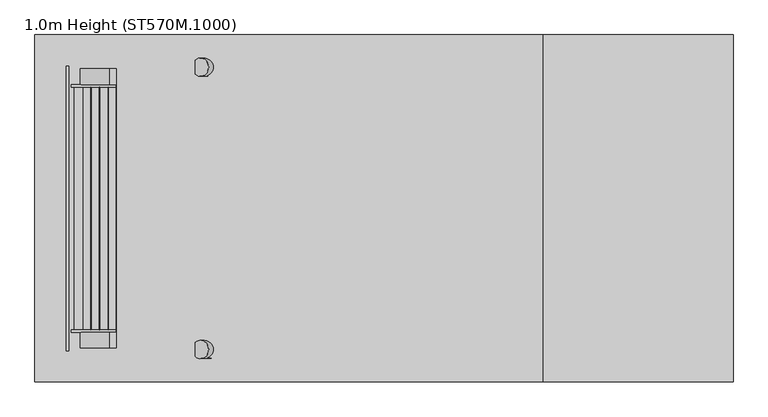
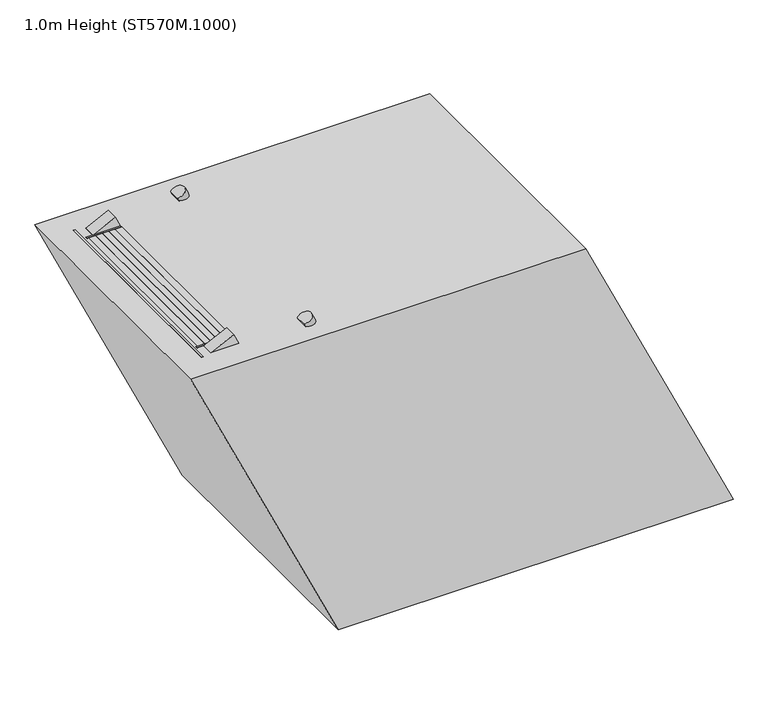
"""IFC4 building model written with IfcOpenShell, lengths in millimetres: proxy geometry, 1.0m Height (ST570M.1000)."""

from ifc_helpers import new_model, si_unit, point, frame, frame_2d, origin, origin_with_axes, place, context, project, spatial, polyline, circle_curve, trimmed, segment, composite_curve, outline, extrude, source, transform, mapped, element, save


def proxy_1_0m_height_st570m_1000_c2ee2a06(model_context):
    return source(origin(), model_context, "Body", "SweptSolid", [
        extrude(outline(polyline([(750.0, -171.2615955), (670.0, -133.9569879), (670.0, -23.6191908), (750.0, -60.9238035), (750.0, -171.2615955)])), frame((0.0, 298.5, 0.0), z_axis=(0.0, 1.0, 0.0), x_axis=(0.0, 0.0, 1.0)), (0.0, 0.0, 1.0), 6.0),
        extrude(outline(polyline([(750.0, -171.2615955), (670.0, -133.9569879), (670.0, -23.6191908), (750.0, -60.9238035), (750.0, -171.2615955)])), frame((0.0, -304.5, 0.0), z_axis=(0.0, 1.0, 0.0), x_axis=(0.0, 0.0, 1.0)), (0.0, 0.0, 1.0), 6.0),
        extrude(outline(polyline([(750.0, -164.0896392), (712.0999991, -146.416581), (712.0999991, -144.2098252), (747.0, -160.4839606), (747.0, -61.7316363), (712.0999991, -45.4574987), (712.0999991, -43.2507428), (750.0, -60.9238035), (750.0, -81.3515446), (749.2749538, -81.6896392), (750.0, -82.0277338), (750.0, -101.9515446), (749.2749538, -102.2896392), (750.0, -102.6277338), (750.0, -122.5515446), (749.2749538, -122.8896392), (750.0, -123.2277338), (750.0, -143.1515446), (749.2749538, -143.4896392), (750.0, -143.8277338), (750.0, -164.0896392)])), frame((0.0, -298.5, 0.0), z_axis=(0.0, 1.0, 0.0), x_axis=(0.0, 0.0, 1.0)), (0.0, 0.0, 1.0), 597.0),
        extrude(outline(polyline([(500.0, -54.685399), (420.0, -17.3807914), (420.0, 92.9570057), (500.0, 55.652393), (500.0, -54.685399)])), frame((0.0, 298.5, 0.0), z_axis=(0.0, 1.0, 0.0), x_axis=(0.0, 0.0, 1.0)), (0.0, 0.0, 1.0), 6.0),
        extrude(outline(polyline([(500.0, -54.685399), (420.0, -17.3807914), (420.0, 92.9570057), (500.0, 55.652393), (500.0, -54.685399)])), frame((0.0, -304.5, 0.0), z_axis=(0.0, 1.0, 0.0), x_axis=(0.0, 0.0, 1.0)), (0.0, 0.0, 1.0), 6.0),
        extrude(outline(polyline([(500.0, -47.5134427), (462.0999991, -29.8403844), (462.0999991, -27.6336286), (497.0, -43.9077641), (497.0, 54.8445602), (462.0999991, 71.1186978), (462.0999991, 73.3254537), (500.0, 55.652393), (500.0, 35.2246519), (499.2749538, 34.8865573), (500.0, 34.5484627), (500.0, 14.6246519), (499.2749538, 14.2865573), (500.0, 13.9484627), (500.0, -5.9753481), (499.2749538, -6.3134427), (500.0, -6.6515373), (500.0, -26.5753481), (499.2749538, -26.9134427), (500.0, -27.2515373), (500.0, -47.5134427)])), frame((0.0, -298.5, 0.0), z_axis=(0.0, 1.0, 0.0), x_axis=(0.0, 0.0, 1.0)), (0.0, 0.0, 1.0), 597.0),
        extrude(outline(polyline([(0.0, -32.0), (0.0, 0.0), (3.0, 0.0), (3.0, -32.0), (0.0, -32.0)])), frame((197.6283445, 331.0, 620.2632339), z_axis=(-0.4226182617407372, 0.0, 0.9063077870366324), x_axis=(-0.9063077870366324, 0.0, -0.4226182617407372)), (0.0, 0.0, 1.0), 140.0),
        extrude(outline(polyline([(0.0, -32.0), (0.0, 0.0), (3.0, 0.0), (3.0, -32.0), (0.0, -32.0)])), frame((100.4261443, 331.0, 828.7140249), z_axis=(-0.4226182617407372, 0.0, 0.9063077870366324), x_axis=(-0.9063077870366324, 0.0, -0.4226182617407372)), (0.0, 0.0, 1.0), 140.0),
        extrude(outline(composite_curve([segment(polyline([(646.1846127, 182.2308733), (718.6892357, 148.4214124), (614.3025251, -75.436611)]), True, "CONTINUOUS"), segment(trimmed(circle_curve(frame_2d((608.8646783, -72.9009015)), 6.0), [point((614.3025251, -75.436611))], [point((606.3289688, -78.3387482))], False, "CARTESIAN"), True, "CONTINUOUS"), segment(polyline([(606.3289688, -78.3387482), (544.7000392, -49.6007064)]), True, "CONTINUOUS"), segment(trimmed(circle_curve(frame_2d((547.2357488, -44.1628597)), 6.0), [point((544.7000392, -49.6007064))], [point((541.7979021, -41.6271501))], False, "CARTESIAN"), True, "CONTINUOUS"), segment(polyline([(541.7979021, -41.6271501), (646.1846127, 182.2308733)]), True, "CONTINUOUS")], self_intersect=False)), frame((0.0, 344.0, 0.0), z_axis=(0.0, 1.0, 0.0), x_axis=(0.0, 0.0, 1.0)), (0.0, 0.0, 1.0), 6.0),
        extrude(outline(composite_curve([segment(polyline([(854.6354038, 85.0286731), (927.1400267, 51.2192122), (822.7533161, -172.6388112)]), True, "CONTINUOUS"), segment(trimmed(circle_curve(frame_2d((817.3154694, -170.1031017)), 6.0), [point((822.7533161, -172.6388112))], [point((814.7797598, -175.5409484))], False, "CARTESIAN"), True, "CONTINUOUS"), segment(polyline([(814.7797598, -175.5409484), (753.1508303, -146.8029066)]), True, "CONTINUOUS"), segment(trimmed(circle_curve(frame_2d((755.6865398, -141.3650599)), 6.0), [point((753.1508303, -146.8029066))], [point((750.2486931, -138.8293503))], False, "CARTESIAN"), True, "CONTINUOUS"), segment(polyline([(750.2486931, -138.8293503), (854.6354038, 85.0286731)]), True, "CONTINUOUS")], self_intersect=False)), frame((0.0, 344.0, 0.0), z_axis=(0.0, 1.0, 0.0), x_axis=(0.0, 0.0, 1.0)), (0.0, 0.0, 1.0), 6.0),
        extrude(outline(composite_curve([segment(trimmed(circle_curve(frame_2d((0.0, 14.189404)), 22.4521533), [point((-17.4, 0.0))], [point((17.4, 0.0))], False, "CARTESIAN"), True, "CONTINUOUS"), segment(polyline([(17.4, 0.0), (-17.4, 0.0)]), True, "CONTINUOUS")], self_intersect=False)), frame((269.473449, 347.0, 466.1909101), z_axis=(-0.4226182617407372, 0.0, 0.9063077870366324), x_axis=(0.0, -1.0, 0.0)), (0.0, 0.0, 1.0), 600.0),
        extrude(outline(polyline([(0.0, -32.0), (0.0, 0.0), (3.0, 0.0), (3.0, -32.0), (0.0, -32.0)])), frame((197.6283445, -363.0, 620.2632339), z_axis=(-0.4226182617407372, 0.0, 0.9063077870366324), x_axis=(-0.9063077870366324, 0.0, -0.4226182617407372)), (0.0, 0.0, 1.0), 140.0),
        extrude(outline(polyline([(0.0, -32.0), (0.0, 0.0), (3.0, 0.0), (3.0, -32.0), (0.0, -32.0)])), frame((100.4261443, -363.0, 828.7140249), z_axis=(-0.4226182617407372, 0.0, 0.9063077870366324), x_axis=(-0.9063077870366324, 0.0, -0.4226182617407372)), (0.0, 0.0, 1.0), 140.0),
        extrude(outline(composite_curve([segment(polyline([(646.1846127, 182.2308733), (718.6892357, 148.4214124), (614.3025251, -75.436611)]), True, "CONTINUOUS"), segment(trimmed(circle_curve(frame_2d((608.8646783, -72.9009015)), 6.0), [point((614.3025251, -75.436611))], [point((606.3289688, -78.3387482))], False, "CARTESIAN"), True, "CONTINUOUS"), segment(polyline([(606.3289688, -78.3387482), (544.7000392, -49.6007064)]), True, "CONTINUOUS"), segment(trimmed(circle_curve(frame_2d((547.2357488, -44.1628597)), 6.0), [point((544.7000392, -49.6007064))], [point((541.7979021, -41.6271501))], False, "CARTESIAN"), True, "CONTINUOUS"), segment(polyline([(541.7979021, -41.6271501), (646.1846127, 182.2308733)]), True, "CONTINUOUS")], self_intersect=False)), frame((0.0, -350.0, 0.0), z_axis=(0.0, 1.0, 0.0), x_axis=(0.0, 0.0, 1.0)), (0.0, 0.0, 1.0), 6.0),
        extrude(outline(composite_curve([segment(polyline([(854.6354038, 85.0286731), (927.1400267, 51.2192122), (822.7533161, -172.6388112)]), True, "CONTINUOUS"), segment(trimmed(circle_curve(frame_2d((817.3154694, -170.1031017)), 6.0), [point((822.7533161, -172.6388112))], [point((814.7797598, -175.5409484))], False, "CARTESIAN"), True, "CONTINUOUS"), segment(polyline([(814.7797598, -175.5409484), (753.1508303, -146.8029066)]), True, "CONTINUOUS"), segment(trimmed(circle_curve(frame_2d((755.6865398, -141.3650599)), 6.0), [point((753.1508303, -146.8029066))], [point((750.2486931, -138.8293503))], False, "CARTESIAN"), True, "CONTINUOUS"), segment(polyline([(750.2486931, -138.8293503), (854.6354038, 85.0286731)]), True, "CONTINUOUS")], self_intersect=False)), frame((0.0, -350.0, 0.0), z_axis=(0.0, 1.0, 0.0), x_axis=(0.0, 0.0, 1.0)), (0.0, 0.0, 1.0), 6.0),
        extrude(outline(composite_curve([segment(trimmed(circle_curve(frame_2d((0.0, 14.189404)), 22.4521533), [point((-17.4, 0.0))], [point((17.4, 0.0))], False, "CARTESIAN"), True, "CONTINUOUS"), segment(polyline([(17.4, 0.0), (-17.4, 0.0)]), True, "CONTINUOUS")], self_intersect=False)), frame((269.473449, -347.0, 466.1909101), z_axis=(-0.4226182617407372, 0.0, 0.9063077870366324), x_axis=(0.0, -1.0, 0.0)), (0.0, 0.0, 1.0), 600.0),
        extrude(outline(polyline([(1000.0, -287.837792), (920.0, -250.5331844), (920.0, -140.1953873), (1000.0, -177.5), (1000.0, -287.837792)])), frame((0.0, 298.5, 0.0), z_axis=(0.0, 1.0, 0.0), x_axis=(0.0, 0.0, 1.0)), (0.0, 0.0, 1.0), 6.0),
        extrude(outline(polyline([(1000.0, -287.837792), (920.0, -250.5331844), (920.0, -140.1953873), (1000.0, -177.5), (1000.0, -287.837792)])), frame((0.0, -304.5, 0.0), z_axis=(0.0, 1.0, 0.0), x_axis=(0.0, 0.0, 1.0)), (0.0, 0.0, 1.0), 6.0),
        extrude(outline(polyline([(1000.0, -280.6658357), (962.0999991, -262.9927775), (962.0999991, -260.7860217), (997.0, -277.0601572), (997.0, -178.3078329), (962.0999991, -162.0336952), (962.0999991, -159.8269394), (1000.0, -177.5), (1000.0, -197.9277412), (999.2749538, -198.2658357), (1000.0, -198.6039303), (1000.0, -218.5277412), (999.2749538, -218.8658357), (1000.0, -219.2039303), (1000.0, -239.1277412), (999.2749538, -239.4658357), (1000.0, -239.8039303), (1000.0, -259.7277412), (999.2749538, -260.0658357), (1000.0, -260.4039303), (1000.0, -280.6658357)])), frame((0.0, -298.5, 0.0), z_axis=(0.0, 1.0, 0.0), x_axis=(0.0, 0.0, 1.0)), (0.0, 0.0, 1.0), 597.0),
        extrude(outline(polyline([(250.0, 61.8907975), (170.0, 99.1954051), (170.0, 209.5332022), (250.0, 172.2285896), (250.0, 61.8907975)])), frame((0.0, 298.5, 0.0), z_axis=(0.0, 1.0, 0.0), x_axis=(0.0, 0.0, 1.0)), (0.0, 0.0, 1.0), 6.0),
        extrude(outline(polyline([(250.0, 61.8907975), (170.0, 99.1954051), (170.0, 209.5332022), (250.0, 172.2285896), (250.0, 61.8907975)])), frame((0.0, -304.5, 0.0), z_axis=(0.0, 1.0, 0.0), x_axis=(0.0, 0.0, 1.0)), (0.0, 0.0, 1.0), 6.0),
        extrude(outline(polyline([(250.0, 69.0627538), (212.0999991, 86.7358121), (212.0999991, 88.9425679), (247.0, 72.6684324), (247.0, 171.4207567), (212.0999991, 187.6948944), (212.0999991, 189.9016502), (250.0, 172.2285896), (250.0, 151.8008484), (249.2749538, 151.4627538), (250.0, 151.1246593), (250.0, 131.2008484), (249.2749538, 130.8627538), (250.0, 130.5246593), (250.0, 110.6008484), (249.2749538, 110.2627538), (250.0, 109.9246593), (250.0, 90.0008484), (249.2749538, 89.6627538), (250.0, 89.3246593), (250.0, 69.0627538)])), frame((0.0, -298.5, 0.0), z_axis=(0.0, 1.0, 0.0), x_axis=(0.0, 0.0, 1.0)), (0.0, 0.0, 1.0), 597.0),
        extrude(outline(polyline([(986.0, -170.9738468), (986.0, -294.0), (906.0, -294.0), (906.0, -133.6692342), (986.0, -170.9738468)])), frame((0.0, 344.0, 0.0), z_axis=(0.0, 1.0, 0.0), x_axis=(0.0, 0.0, 1.0)), (0.0, 0.0, 1.0), 6.0),
        extrude(outline(polyline([(986.0, -170.9738468), (986.0, -294.0), (906.0, -294.0), (906.0, -133.6692342), (986.0, -170.9738468)])), frame((0.0, -350.0, 0.0), z_axis=(0.0, 1.0, 0.0), x_axis=(0.0, 0.0, 1.0)), (0.0, 0.0, 1.0), 6.0),
        extrude(outline(polyline([(1000.0, -294.0), (1000.0, -300.0), (900.0, -300.0), (900.0, -250.0), (906.0, -250.0), (906.0, -294.0), (1000.0, -294.0)])), frame((0.0, -350.0, 0.0), z_axis=(0.0, 1.0, 0.0), x_axis=(0.0, 0.0, 1.0)), (0.0, 0.0, 1.0), 700.0),
        extrude(outline(polyline([(-304.5, 80.0), (-304.5, 0.0), (-343.0, 0.0), (-343.0, 80.0), (-304.5, 80.0)])), frame((197.7374246, 0.0, 6.0), z_axis=(-0.4226182617406976, 0.0, 0.9063077870366508), x_axis=(0.0, -1.0, 0.0)), (0.0, 0.0, 1.0), 1096.7576514),
        extrude(outline(polyline([(343.0, 80.0), (343.0, 0.0), (304.5, 0.0), (304.5, 80.0), (343.0, 80.0)])), frame((197.7374246, 0.0, 6.0), z_axis=(-0.42261826174069766, 0.0, 0.9063077870366508), x_axis=(0.0, -1.0, 0.0)), (0.0, 0.0, 1.0), 1096.7576514),
        extrude(outline(polyline([(141.9461681, 222.6149189), (108.1367071, 150.1102959), (6.0, 197.7374246), (6.0, 286.0076582), (141.9461681, 222.6149189)])), frame((0.0, 344.0, 0.0), z_axis=(0.0, 1.0, 0.0), x_axis=(0.0, 0.0, 1.0)), (0.0, 0.0, 1.0), 6.0),
        extrude(outline(polyline([(141.9461681, 222.6149189), (108.1367071, 150.1102959), (6.0, 197.7374246), (6.0, 286.0076582), (141.9461681, 222.6149189)])), frame((0.0, -350.0, 0.0), z_axis=(0.0, 1.0, 0.0), x_axis=(0.0, 0.0, 1.0)), (0.0, 0.0, 1.0), 6.0),
        extrude(outline(polyline([(291.9076582, 358.0), (291.9076582, -358.0), (191.9076582, -358.0), (191.9076582, 358.0), (291.9076582, 358.0)])), origin_with_axes(), (0.0, 0.0, 1.0), 6.0),
        extrude(outline(polyline([(1000.0, -377.5004787), (0.0, 88.8071795), (0.0, 1337.0145271), (1000.0, 870.706869), (1000.0, -377.5004787)])), frame((0.0, -426.5, 0.0), z_axis=(0.0, 1.0, 0.0), x_axis=(0.0, 0.0, 1.0)), (0.0, 0.0, 1.0), 853.0),
    ])


if __name__ == "__main__":
    model = new_model("IFC4")
    model_context = context("Model", 3, world=origin())
    ifc_project = project(units=[si_unit("LENGTHUNIT", "METRE", prefix="MILLI")], contexts=[model_context])
    site = spatial("IfcSite", under=ifc_project)
    building = spatial("IfcBuilding", under=site)
    placement = place(None, origin())
    proxy_1_0m_height_st570m_1000_shape = proxy_1_0m_height_st570m_1000_c2ee2a06(model_context)
    element("IfcBuildingElementProxy", 1, Name="1.0m Height (ST570M.1000)", ObjectType="1.0m Height (ST570M.1000)", at=placement, inside=building, context=model_context, shape_type="MappedRepresentation", body=[
        mapped(proxy_1_0m_height_st570m_1000_shape, transform((0.0, 0.0, 0.0), x_axis=(1.0, 0.0, 0.0), y_axis=(0.0, 1.0, 0.0), z_axis=(0.0, 0.0, 1.0))),
    ])
    save(model, "model.ifc")
